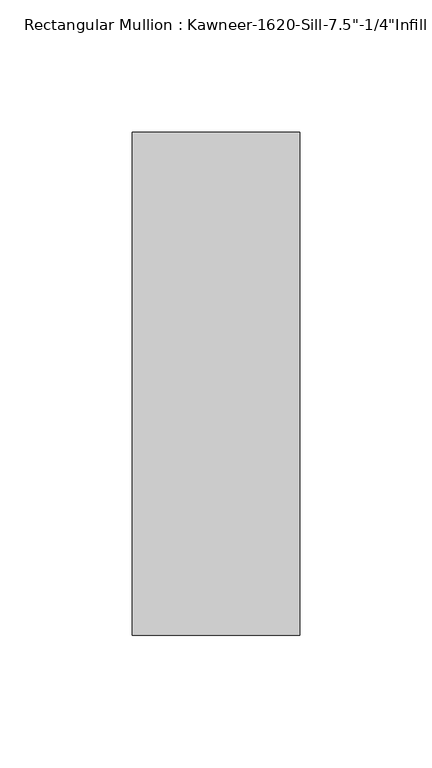
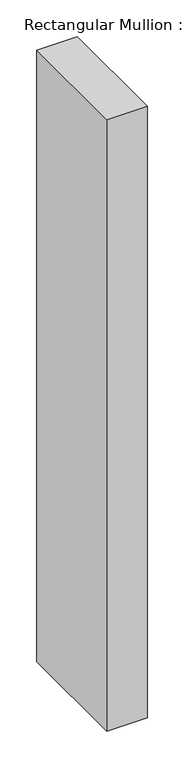
"""IFC4 building model written with IfcOpenShell, lengths in millimetres: member geometry."""

from ifc_helpers import new_model, si_unit, frame, origin, place, context, project, spatial, polyline, outline, extrude, source, transform, mapped, element, save


def member_80598244(model_context):
    return source(origin(), model_context, "Body", "SweptSolid", [
        extrude(outline(polyline([(-63.5, 28.575), (0.0, 28.575), (0.0, -161.925), (-63.5, -161.925), (-63.5, 28.575)])), frame((0.0, 0.0, -1016.0), z_axis=(0.0, 0.0, 1.0), x_axis=(1.0, 0.0, 0.0)), (0.0, 0.0, 1.0), 1016.0),
    ])


if __name__ == "__main__":
    model = new_model("IFC4")
    model_context = context("Model", 3, world=origin())
    ifc_project = project(units=[si_unit("LENGTHUNIT", "METRE", prefix="MILLI")], contexts=[model_context])
    site = spatial("IfcSite", under=ifc_project)
    building = spatial("IfcBuilding", under=site)
    placement = place(None, origin())
    member_shape = member_80598244(model_context)
    element("IfcMember", 1, ObjectType="Rectangular Mullion : Kawneer-1620-Sill-7.5\"-1/4\"Infill", at=placement, inside=building, context=model_context, shape_type="MappedRepresentation", body=[
        mapped(member_shape, transform((0.0, 0.0, 0.0), x_axis=(1.0, 0.0, 0.0), y_axis=(0.0, 1.0, 0.0), z_axis=(0.0, 0.0, 1.0))),
    ])
    save(model, "model.ifc")
